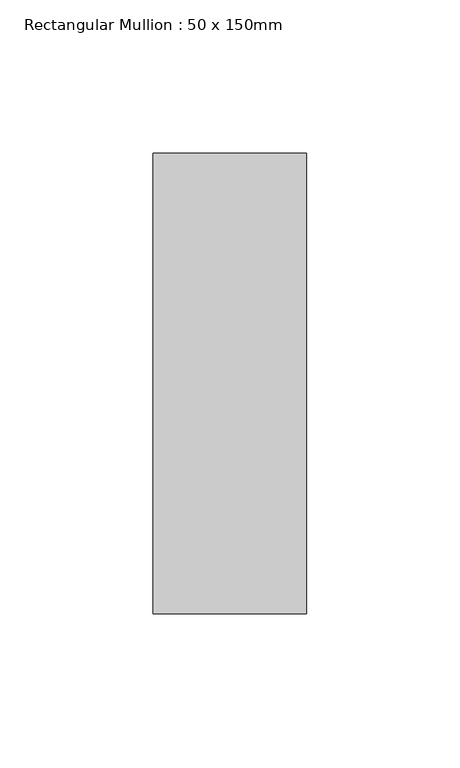
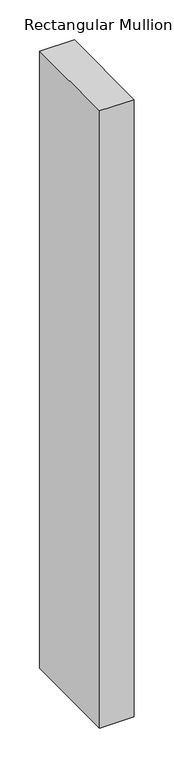
"""IFC4 building model written with IfcOpenShell, lengths in millimetres: member geometry, Rectangular Mullion : 50 x 150mm."""

from ifc_helpers import new_model, si_unit, frame, origin, place, context, project, spatial, polyline, outline, extrude, source, transform, mapped, element, save


def rectangular_mullion_50_x_150mm_e0c8c959(model_context):
    return source(origin(), model_context, "Body", "SweptSolid", [
        extrude(outline(polyline([(25.0, 75.0), (25.0, -75.0), (-25.0, -75.0), (-25.0, 75.0), (25.0, 75.0)])), frame((0.0, 0.0, -942.6666667), z_axis=(0.0, 0.0, 1.0), x_axis=(1.0, 0.0, 0.0)), (0.0, 0.0, 1.0), 942.6666667),
    ])


if __name__ == "__main__":
    model = new_model("IFC4")
    model_context = context("Model", 3, world=origin())
    ifc_project = project(units=[si_unit("LENGTHUNIT", "METRE", prefix="MILLI")], contexts=[model_context])
    site = spatial("IfcSite", under=ifc_project)
    building = spatial("IfcBuilding", under=site)
    placement = place(None, origin())
    rectangular_mullion_50_x_150mm_shape = rectangular_mullion_50_x_150mm_e0c8c959(model_context)
    element("IfcMember", 1, ObjectType="Rectangular Mullion : 50 x 150mm", at=placement, inside=building, context=model_context, shape_type="MappedRepresentation", body=[
        mapped(rectangular_mullion_50_x_150mm_shape, transform((0.0, 0.0, 0.0), x_axis=(1.0, 0.0, 0.0), y_axis=(0.0, 1.0, 0.0), z_axis=(0.0, 0.0, 1.0))),
    ])
    save(model, "model.ifc")
